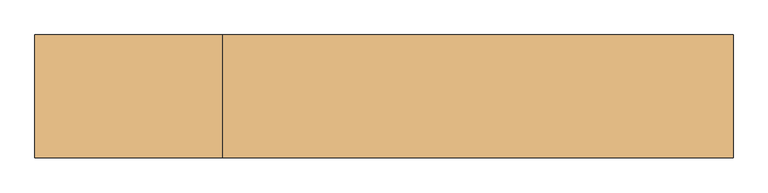
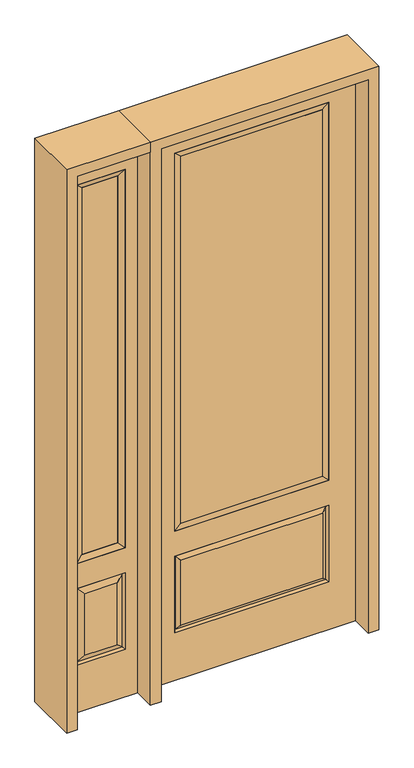
"""IFC4 building model written with IfcOpenShell, lengths in millimetres: door geometry."""

from ifc_helpers import new_model, si_unit, frame, origin, place, context, project, spatial, polyline, outline, extrude, faceted_brep, source, transform, mapped, element, save


def door_9b30f98f(model_context):
    return source(origin(), model_context, "Body", "SolidModel", [
        faceted_brep([(-781.05, -22.225, 0.0), (-476.25, -22.225, 0.0), (-476.25, -22.225, 2438.4), (-781.05, -22.225, 2438.4), (-528.32, -22.225, 2325.624), (-528.32, -22.225, 657.098), (-728.98, -22.225, 657.098), (-728.98, -22.225, 2325.624), (-528.32, -22.225, 209.55), (-728.98, -22.225, 209.55), (-728.98, -22.225, 546.1), (-528.32, -22.225, 546.1), (-697.2648999, -22.225, 241.2651001), (-560.0351001, -22.225, 241.2651001), (-560.0351001, -22.225, 514.3848999), (-697.2648999, -22.225, 514.3848999), (-781.05, 22.225, 0.0), (-781.05, 22.225, 2438.4), (-476.25, 22.225, 2438.4), (-476.25, 22.225, 0.0), (-528.32, 22.225, 2325.624), (-728.98, 22.225, 2325.624), (-728.98, 22.225, 657.098), (-528.32, 22.225, 657.098), (-728.98, 22.225, 209.55), (-528.32, 22.225, 209.55), (-528.32, 22.225, 546.1), (-728.98, 22.225, 546.1), (-560.0351001, 22.225, 241.2651001), (-697.2648999, 22.225, 241.2651001), (-697.2648999, 22.225, 514.3848999), (-560.0351001, 22.225, 514.3848999), (-535.4288501, 12.7912373, 216.6588501), (-721.8711499, 12.7912373, 216.6588501), (-721.8711499, 12.7912373, 538.9911499), (-535.4288501, 12.7912373, 538.9911499), (-721.8711499, -12.7912373, 216.6588501), (-535.4288501, -12.7912373, 216.6588501), (-721.8711499, -12.7912373, 538.9911499), (-535.4288501, -12.7912373, 538.9911499)], [[[0, 1, 2, 3], [4, 5, 6, 7], [8, 9, 10, 11]], [[12, 13, 14, 15]], [[16, 17, 18, 19], [20, 21, 22, 23], [24, 25, 26, 27]], [[28, 29, 30, 31]], [[1, 0, 16, 19]], [[2, 1, 19, 18]], [[3, 2, 18, 17]], [[0, 3, 17, 16]], [[5, 4, 20, 23]], [[6, 5, 23, 22]], [[7, 6, 22, 21]], [[4, 7, 21, 20]], [[32, 33, 29, 28]], [[33, 32, 25, 24]], [[29, 33, 34, 30]], [[33, 24, 27, 34]], [[30, 34, 35, 31]], [[34, 27, 26, 35]], [[32, 28, 31, 35]], [[25, 32, 35, 26]], [[12, 36, 37, 13]], [[37, 36, 9, 8]], [[36, 12, 15, 38]], [[9, 36, 38, 10]], [[38, 15, 14, 39]], [[10, 38, 39, 11]], [[13, 37, 39, 14]], [[37, 8, 11, 39]]]),
        faceted_brep([(-728.98, 22.225, 2325.624), (-728.98, -22.225, 2325.624), (-528.32, -22.225, 2325.624), (-528.32, 22.225, 2325.624), (-703.58, 12.7, 2300.224), (-553.72, 12.7, 2300.224), (-703.58, -12.7, 2300.224), (-553.72, -12.7, 2300.224), (-528.32, -22.225, 657.098), (-528.32, 22.225, 657.098), (-553.72, 12.7, 682.498), (-553.72, -12.7, 682.498), (-728.98, -22.225, 657.098), (-728.98, 22.225, 657.098), (-703.58, 12.7, 682.498), (-703.58, -12.7, 682.498)], [[[0, 1, 2, 3]], [[4, 0, 3, 5]], [[6, 4, 5, 7]], [[1, 6, 7, 2]], [[3, 2, 8, 9]], [[5, 3, 9, 10]], [[7, 5, 10, 11]], [[2, 7, 11, 8]], [[9, 8, 12, 13]], [[10, 9, 13, 14]], [[11, 10, 14, 15]], [[8, 11, 15, 12]], [[13, 12, 1, 0]], [[14, 13, 0, 4]], [[15, 14, 4, 6]], [[12, 15, 6, 1]]]),
        extrude(outline(polyline([(-553.72, -12.7), (-703.58, -12.7), (-703.58, 12.7), (-553.72, 12.7), (-553.72, -12.7)])), frame((0.0, 0.0, 682.498), z_axis=(0.0, 0.0, 1.0), x_axis=(1.0, 0.0, 0.0)), (0.0, 0.0, 1.0), 1617.726),
        extrude(outline(polyline([(295.275, -20.32), (-295.275, -20.32), (-295.275, 5.08), (295.275, 5.08), (295.275, -20.32)])), frame((0.0, 0.0, 682.498), z_axis=(0.0, 0.0, 1.0), x_axis=(1.0, 0.0, 0.0)), (0.0, 0.0, 1.0), 1616.202),
        faceted_brep([(-313.5661499, -12.7912373, 216.6588501), (313.5661499, -12.7912373, 216.6588501), (296.06875, -22.225, 234.15625), (-296.06875, -22.225, 234.15625), (-320.675, -22.225, 209.55), (320.675, -22.225, 209.55), (-313.5661499, -12.7912373, 538.9911499), (-320.675, -22.225, 546.1), (296.06875, -22.225, 521.49375), (-296.06875, -22.225, 521.49375), (431.8, -22.225, 2438.4), (-431.8, -22.225, 2438.4), (-431.8, -22.225, 0.0), (431.8, -22.225, 0.0), (320.675, -22.225, 546.1), (320.675, -22.225, 2324.1), (320.675, -22.225, 657.098), (-320.675, -22.225, 657.098), (-320.675, -22.225, 2324.1), (313.5661499, -12.7912373, 538.9911499), (-431.8, 22.225, 2438.4), (-431.8, 22.225, 0.0), (431.8, 22.225, 0.0), (431.8, 22.225, 2438.4), (320.675, 22.225, 2324.1), (320.675, 22.225, 657.098), (-320.675, 22.225, 657.098), (-320.675, 22.225, 2324.1), (-320.675, 22.225, 209.55), (320.675, 22.225, 209.55), (320.675, 22.225, 546.1), (-320.675, 22.225, 546.1), (296.06875, 22.225, 234.15625), (-296.06875, 22.225, 234.15625), (-296.06875, 22.225, 521.49375), (296.06875, 22.225, 521.49375), (-313.5661499, 12.7912373, 216.6588501), (313.5661499, 12.7912373, 216.6588501), (313.5661499, 12.7912373, 538.9911499), (-313.5661499, 12.7912373, 538.9911499)], [[[0, 1, 2, 3]], [[1, 0, 4, 5]], [[4, 0, 6, 7]], [[3, 2, 8, 9]], [[10, 11, 12, 13], [5, 4, 7, 14], [15, 16, 17, 18]], [[1, 5, 14, 19]], [[2, 1, 19, 8]], [[0, 3, 9, 6]], [[7, 6, 19, 14]], [[6, 9, 8, 19]], [[12, 11, 20, 21]], [[13, 12, 21, 22]], [[10, 13, 22, 23]], [[16, 15, 24, 25]], [[17, 16, 25, 26]], [[18, 17, 26, 27]], [[23, 22, 21, 20], [28, 29, 30, 31], [24, 27, 26, 25]], [[32, 33, 34, 35]], [[28, 36, 37, 29]], [[29, 37, 38, 30]], [[39, 31, 30, 38]], [[36, 28, 31, 39]], [[37, 36, 33, 32]], [[33, 36, 39, 34]], [[34, 39, 38, 35]], [[37, 32, 35, 38]], [[11, 10, 23, 20]], [[15, 18, 27, 24]]]),
        faceted_brep([(-320.675, -22.225, 2324.1), (-320.675, 22.225, 2324.1), (-320.675, 22.225, 657.098), (-320.675, -22.225, 657.098), (320.675, 22.225, 657.098), (320.675, -22.225, 657.098), (-295.275, 5.08, 682.498), (295.275, 5.08, 682.498), (320.675, 22.225, 2324.1), (320.675, -22.225, 2324.1), (-295.275, -20.32, 682.498), (295.275, -20.32, 682.498), (-295.275, -20.32, 2298.7), (295.275, -20.32, 2298.7), (-295.275, 5.08, 2298.7), (295.275, 5.08, 2298.7)], [[[0, 1, 2, 3]], [[3, 2, 4, 5]], [[2, 6, 7, 4]], [[5, 4, 8, 9]], [[10, 3, 5, 11]], [[12, 0, 3, 10]], [[11, 5, 9, 13]], [[6, 10, 11, 7]], [[14, 12, 10, 6]], [[7, 11, 13, 15]], [[1, 14, 6, 2]], [[4, 7, 15, 8]], [[9, 8, 1, 0]], [[13, 9, 0, 12]], [[15, 13, 12, 14]], [[8, 15, 14, 1]]]),
        extrude(outline(polyline([(2438.4, -476.25), (2482.85, -476.25), (2482.85, -825.5), (0.0, -825.5), (0.0, -781.05), (2438.4, -781.05), (2438.4, -476.25)])), frame((0.0, -114.3, 0.0), z_axis=(0.0, 1.0, 0.0), x_axis=(0.0, 0.0, 1.0)), (0.0, 0.0, 1.0), 228.6),
        extrude(outline(polyline([(2482.85, -476.25), (0.0, -476.25), (0.0, -431.8), (2438.4, -431.8), (2438.4, 431.8), (0.0, 431.8), (0.0, 476.25), (2482.85, 476.25), (2482.85, -476.25)])), frame((0.0, -114.3, 0.0), z_axis=(0.0, 1.0, 0.0), x_axis=(0.0, 0.0, 1.0)), (0.0, 0.0, 1.0), 228.6),
    ])


if __name__ == "__main__":
    model = new_model("IFC4")
    model_context = context("Model", 3, world=origin())
    ifc_project = project(units=[si_unit("LENGTHUNIT", "METRE", prefix="MILLI")], contexts=[model_context])
    site = spatial("IfcSite", under=ifc_project)
    building = spatial("IfcBuilding", under=site)
    placement = place(None, origin())
    door_shape = door_9b30f98f(model_context)
    element("IfcDoor", 1, at=placement, inside=building, context=model_context, shape_type="MappedRepresentation", body=[
        mapped(door_shape, transform((0.0, 0.0, 0.0), x_axis=(1.0, 0.0, 0.0), y_axis=(0.0, 1.0, 0.0), z_axis=(0.0, 0.0, 1.0))),
    ])
    save(model, "model.ifc")
